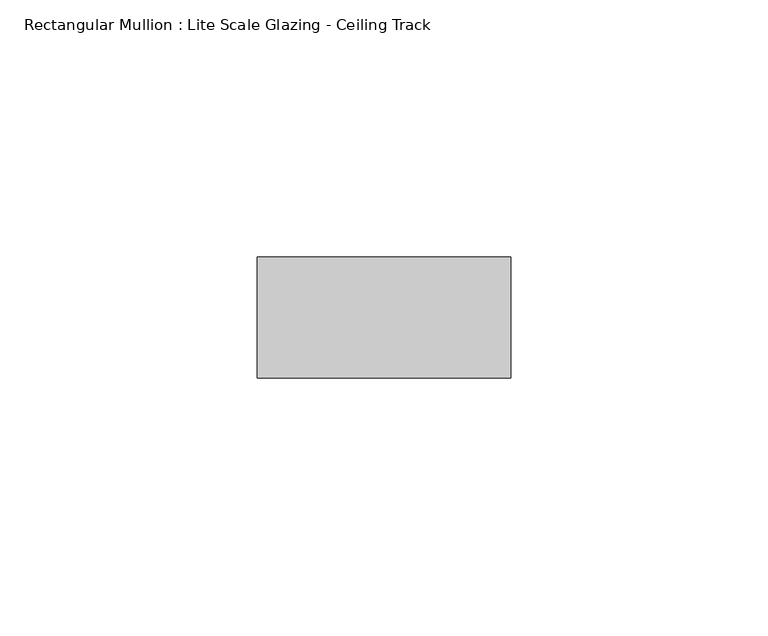
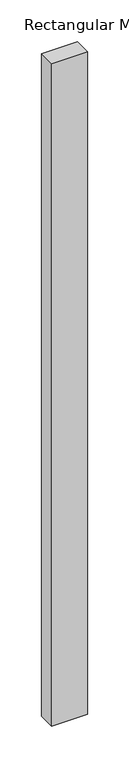
"""IFC4 building model written with IfcOpenShell, lengths in millimetres: member geometry, Rectangular Mullion : Lite Scale Glazing - Ceiling Track."""

import ifcopenshell
import ifcopenshell.guid

model = None  # the IFC model being written
_history = None  # IfcOwnerHistory: only IFC2X3 demands one
_inside = {}  # id of a spatial element -> (the spatial element, [elements in it])
_under = {}  # id of a project, library or spatial element -> (it, [spatial elements below it])
_declared = {}  # id of a project -> (the project, [libraries it declares])
_typed = {}  # id of a type object -> (the type object, [elements of that type])
_made_of = {}  # id of a material, layer set ... -> (it, [elements and type objects made of it])


def new_model(schema):
    """Start an empty IFC model of exactly this schema.

    Asked for "IFC4X3", IfcOpenShell would pick the latest addendum, in which some entities
    have other attributes; the version numbers below select the first issue.
    IFC2X3 requires an IfcOwnerHistory on every rooted entity: one is made here for all.
    """
    global model, _history
    if schema == "IFC4X3":
        model = ifcopenshell.file(schema_version=(4, 3, 0, 0))
    else:
        model = ifcopenshell.file(schema=schema)
    _inside.clear()
    _under.clear()
    _declared.clear()
    _typed.clear()
    _made_of.clear()
    _history = None
    if model.schema == "IFC2X3":
        org = make("IfcOrganization", Name="unknown")
        user = make(
            "IfcPersonAndOrganization",
            ThePerson=make("IfcPerson", FamilyName="unknown"),
            TheOrganization=org,
        )
        app = make(
            "IfcApplication",
            ApplicationDeveloper=org,
            Version="unknown",
            ApplicationFullName="unknown",
            ApplicationIdentifier="unknown",
        )
        _history = make(
            "IfcOwnerHistory",
            OwningUser=user,
            OwningApplication=app,
            ChangeAction="ADDED",
            CreationDate=0,
        )
    return model


def make(cls, **values):
    """One entity of the class cls with the attributes given. An attribute that is None is left unset."""
    return model.create_entity(
        cls, **{name: value for name, value in values.items() if value is not None}
    )


def rooted(cls, **values):
    """An entity with a GlobalId (a new one), such as an element, a storey or a relation."""
    return make(cls, GlobalId=ifcopenshell.guid.new(), OwnerHistory=_history, **values)


def si_unit(unit_type, name, prefix=None):
    """IfcSIUnit, for example si_unit("LENGTHUNIT", "METRE", prefix="MILLI")."""
    return make("IfcSIUnit", UnitType=unit_type, Prefix=prefix, Name=name)


def assignment(units):
    """IfcUnitAssignment: the units of a project."""
    return None if units is None else make("IfcUnitAssignment", Units=units)


def point(xyz):
    """IfcCartesianPoint."""
    return None if xyz is None else make("IfcCartesianPoint", Coordinates=xyz)


def direction(xyz):
    """IfcDirection."""
    return None if xyz is None else make("IfcDirection", DirectionRatios=xyz)


def frame(location, z_axis=None, x_axis=None):
    """IfcAxis2Placement3D, a coordinate frame: its origin and axes. An axis left out is left unset."""
    return make(
        "IfcAxis2Placement3D",
        Location=point(location),
        Axis=direction(z_axis),
        RefDirection=direction(x_axis),
    )


def origin():
    """The frame at (0, 0, 0) with its axes left unset."""
    return frame((0.0, 0.0, 0.0))


def place(relative_to, where):
    """IfcLocalPlacement: puts the frame where relative to a parent placement (None: the world)."""
    return make(
        "IfcLocalPlacement", PlacementRelTo=relative_to, RelativePlacement=where
    )


def context(
    kind, dimensions, precision=None, world=None, true_north=None, identifier=None
):
    """IfcGeometricRepresentationContext, for example the 3D "Model" context."""
    return make(
        "IfcGeometricRepresentationContext",
        ContextIdentifier=identifier,
        ContextType=kind,
        CoordinateSpaceDimension=dimensions,
        Precision=precision,
        WorldCoordinateSystem=world,
        TrueNorth=true_north,
    )


def project(units=None, contexts=None):
    """IfcProject with its units and contexts."""
    return rooted(
        "IfcProject",
        Name="project",
        RepresentationContexts=contexts,
        UnitsInContext=assignment(units),
    )


def spatial(cls, under=None, at=None, **own):
    """A site, building, storey or space (cls), placed at a placement, below another one or the project."""
    s = rooted(cls, ObjectPlacement=at, **own)
    if under is not None:
        _under.setdefault(under.id(), (under, []))[1].append(s)
    return s


def polyline(points):
    """IfcPolyline through the points."""
    return make("IfcPolyline", Points=[point(p) for p in points])


def outline(outer, holes=None, kind="AREA"):
    """IfcArbitraryClosedProfileDef: a profile drawn as a closed curve; with holes, ...WithVoids."""
    if holes is None:
        return make("IfcArbitraryClosedProfileDef", ProfileType=kind, OuterCurve=outer)
    return make(
        "IfcArbitraryProfileDefWithVoids",
        ProfileType=kind,
        OuterCurve=outer,
        InnerCurves=holes,
    )


def extrude(swept, where, along, depth):
    """IfcExtrudedAreaSolid: the profile swept, set in the frame where, extruded along a direction by depth."""
    return make(
        "IfcExtrudedAreaSolid",
        SweptArea=swept,
        Position=where,
        ExtrudedDirection=direction(along),
        Depth=depth,
    )


def shape(context_of_items, identifier, shape_type, items):
    """IfcShapeRepresentation: the items that make up one representation, for example the "Body"."""
    return make(
        "IfcShapeRepresentation",
        ContextOfItems=context_of_items,
        RepresentationIdentifier=identifier,
        RepresentationType=shape_type,
        Items=items,
    )


def source(mapping_origin, context_of_items, identifier, shape_type, items):
    """IfcRepresentationMap: a shape defined once, which mapped items show again and again."""
    return make(
        "IfcRepresentationMap",
        MappingOrigin=mapping_origin,
        MappedRepresentation=shape(context_of_items, identifier, shape_type, items),
    )


def transform(
    local_origin,
    x_axis=None,
    y_axis=None,
    z_axis=None,
    scale=None,
    scale2=None,
    scale3=None,
    uniform=True,
):
    """IfcCartesianTransformationOperator3D, or its non-uniform kind. x_axis, y_axis, z_axis: its Axis1, 2, 3."""
    if uniform:
        return make(
            "IfcCartesianTransformationOperator3D",
            Axis1=direction(x_axis),
            Axis2=direction(y_axis),
            LocalOrigin=point(local_origin),
            Scale=scale,
            Axis3=direction(z_axis),
        )
    return make(
        "IfcCartesianTransformationOperator3DnonUniform",
        Axis1=direction(x_axis),
        Axis2=direction(y_axis),
        LocalOrigin=point(local_origin),
        Scale=scale,
        Axis3=direction(z_axis),
        Scale2=scale2,
        Scale3=scale3,
    )


def mapped(mapping_source, mapping_target):
    """IfcMappedItem: shows the shape of a source again, moved by a transform."""
    return make(
        "IfcMappedItem", MappingSource=mapping_source, MappingTarget=mapping_target
    )


def made_of(thing, what):
    """Note that an element or type object is made of a material, layer set ...; save() writes the relation."""
    if what is not None:
        _made_of.setdefault(what.id(), (what, []))[1].append(thing)
    return thing


def element(
    cls,
    number,
    at=None,
    inside=None,
    cuts=None,
    type_object=None,
    material=None,
    context=None,
    identifier="Body",
    shape_type=None,
    held_by="IfcProductDefinitionShape",
    body=None,
    shapes=None,
    **own,
):
    """One element of the class cls, such as IfcWall. Its Tag is "e" and its number.

    at: its placement. inside: the storey or other place that contains it. cuts: it is an
    opening in that element (IfcRelVoidsElement). A single representation is given by context,
    identifier, shape_type and body (its items); several are given by shapes. held_by: the class
    of the entity that holds the representations. save() writes the other relations.
    """
    e = rooted(cls, Tag="e%d" % number, ObjectPlacement=at, **own)
    if body is not None:
        shapes = [shape(context, identifier, shape_type, body)]
    if shapes is not None:
        e.Representation = make(held_by, Representations=shapes)
    if inside is not None:
        _inside.setdefault(inside.id(), (inside, []))[1].append(e)
    if cuts is not None:
        rooted(
            "IfcRelVoidsElement", RelatingBuildingElement=cuts, RelatedOpeningElement=e
        )
    if type_object is not None:
        _typed.setdefault(type_object.id(), (type_object, []))[1].append(e)
    return made_of(e, material)


def aggregate(whole, parts):
    """IfcRelAggregates: a whole, such as a stair, and the parts it consists of."""
    return rooted("IfcRelAggregates", RelatingObject=whole, RelatedObjects=parts)


def save(model, path):
    """Write the relations noted so far, then the file.

    IfcRelAggregates (storeys below a building ...), IfcRelContainedInSpatialStructure (elements
    in a storey), IfcRelDefinesByType, IfcRelAssociatesMaterial and IfcRelDeclares: one each for
    every whole, place, type object, material and project.
    """
    for whole, parts in _under.values():
        aggregate(whole, parts)
    for where, things in _inside.values():
        rooted(
            "IfcRelContainedInSpatialStructure",
            RelatedElements=things,
            RelatingStructure=where,
        )
    for kind, things in _typed.values():
        rooted("IfcRelDefinesByType", RelatedObjects=things, RelatingType=kind)
    for what, things in _made_of.values():
        rooted("IfcRelAssociatesMaterial", RelatedObjects=things, RelatingMaterial=what)
    for by, libraries in _declared.values():
        rooted("IfcRelDeclares", RelatingContext=by, RelatedDefinitions=libraries)
    model.write(path)


def rectangular_mullion_lite_scale_glazing_ceiling_track_625fa881(model_context):
    return source(origin(), model_context, "Body", "SweptSolid", [
        extrude(outline(polyline([(-49.276, -11.7474999), (-49.276, 11.7474999), (0.0, 11.7474999), (0.0, -11.7474999), (-49.276, -11.7474999)])), frame((0.0, 0.0, -965.2), z_axis=(0.0, 0.0, 1.0), x_axis=(1.0, 0.0, 0.0)), (0.0, 0.0, 1.0), 965.2),
    ])


if __name__ == "__main__":
    model = new_model("IFC4")
    model_context = context("Model", 3, world=origin())
    ifc_project = project(units=[si_unit("LENGTHUNIT", "METRE", prefix="MILLI")], contexts=[model_context])
    site = spatial("IfcSite", under=ifc_project)
    building = spatial("IfcBuilding", under=site)
    placement = place(None, origin())
    rectangular_mullion_lite_scale_glazing_ceiling_track_shape = rectangular_mullion_lite_scale_glazing_ceiling_track_625fa881(model_context)
    element("IfcMember", 1, ObjectType="Rectangular Mullion : Lite Scale Glazing - Ceiling Track", at=placement, inside=building, context=model_context, shape_type="MappedRepresentation", body=[
        mapped(rectangular_mullion_lite_scale_glazing_ceiling_track_shape, transform((0.0, 0.0, 0.0), x_axis=(1.0, 0.0, 0.0), y_axis=(0.0, 1.0, 0.0), z_axis=(0.0, 0.0, 1.0))),
    ])
    save(model, "model.ifc")
